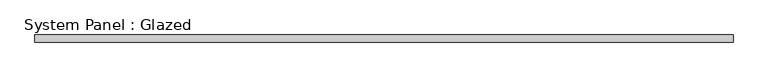
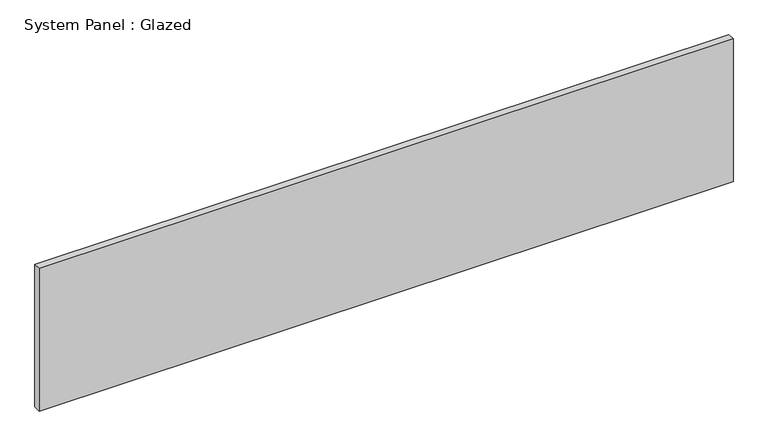
"""IFC4 building model written with IfcOpenShell, lengths in millimetres: plate geometry, System Panel : Glazed."""

from ifc_helpers import new_model, si_unit, origin, origin_with_axes, place, context, project, spatial, polyline, outline, extrude, source, transform, mapped, element, save


def system_panel_glazed_504b25b3(model_context):
    return source(origin(), model_context, "Body", "SweptSolid", [
        extrude(outline(polyline([(1241.425, -12.7), (-1241.425, -12.7), (-1241.425, 12.7), (1241.425, 12.7), (1241.425, -12.7)])), origin_with_axes(), (0.0, 0.0, 1.0), 539.75),
    ])


if __name__ == "__main__":
    model = new_model("IFC4")
    model_context = context("Model", 3, world=origin())
    ifc_project = project(units=[si_unit("LENGTHUNIT", "METRE", prefix="MILLI")], contexts=[model_context])
    site = spatial("IfcSite", under=ifc_project)
    building = spatial("IfcBuilding", under=site)
    placement = place(None, origin())
    system_panel_glazed_shape = system_panel_glazed_504b25b3(model_context)
    element("IfcPlate", 1, ObjectType="System Panel : Glazed", at=placement, inside=building, context=model_context, shape_type="MappedRepresentation", body=[
        mapped(system_panel_glazed_shape, transform((0.0, 0.0, 0.0), x_axis=(1.0, 0.0, 0.0), y_axis=(0.0, 1.0, 0.0), z_axis=(0.0, 0.0, 1.0))),
    ])
    save(model, "model.ifc")
